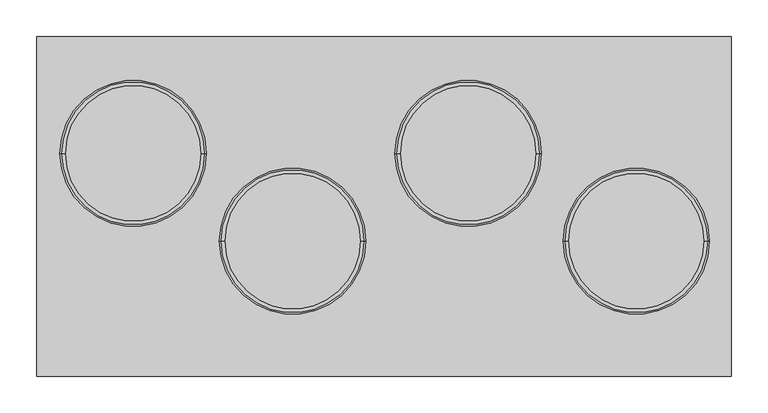
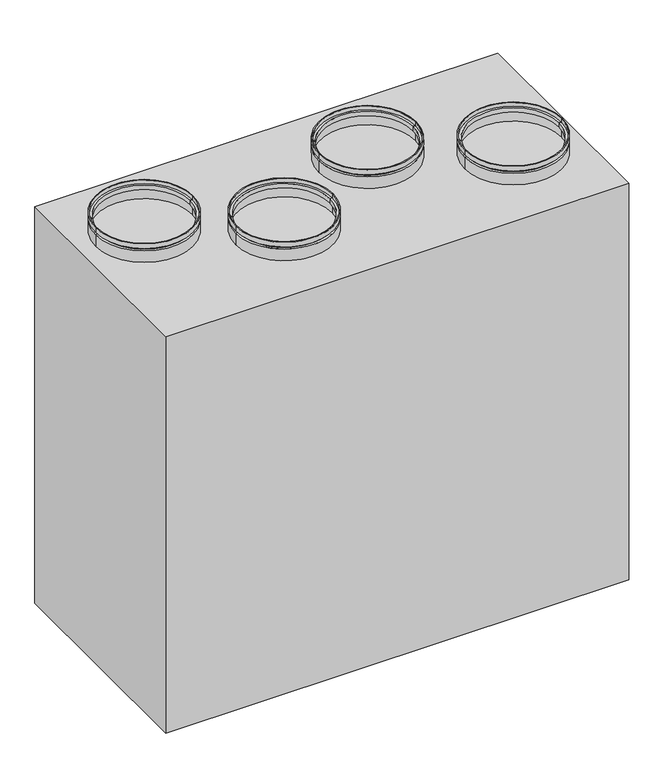
"""IFC4 building model written with IfcOpenShell, lengths in millimetres: proxy geometry."""

from ifc_helpers import new_model, si_unit, frame, origin, origin_with_axes, place, context, project, spatial, polyline, circle_curve, outline, extrude, source, transform, mapped, element, save
from ifc_brep_helpers import plane_surface, cylinder_surface, revolved_surface, advanced_brep


def mechanical_equipment_569cf462(model_context):
    return source(origin(), model_context, "Body", "SolidModel", [
        advanced_brep(
        [(445.0, -47.5, 890.0), (245.0, -47.5, 890.0), (245.0, -47.5, 900.0), (445.0, -47.5, 900.0), (440.0, -47.5, 890.0), (250.0, -47.5, 890.0), (440.0, -47.5, 885.0), (250.0, -47.5, 885.0), (445.0, -47.5, 885.0), (245.0, -47.5, 885.0), (445.0, -47.5, 860.0), (245.0, -47.5, 860.0), (443.0, -47.5, 860.0), (247.0, -47.5, 860.0), (443.0, -47.5, 883.0), (247.0, -47.5, 883.0), (438.0, -47.5, 883.0), (252.0, -47.5, 883.0), (438.0, -47.5, 892.0), (252.0, -47.5, 892.0), (443.0, -47.5, 892.0), (247.0, -47.5, 892.0), (443.0, -47.5, 900.0), (247.0, -47.5, 900.0)],
        [
            (0, 1, circle_curve(frame((345.0, -47.5, 890.0), z_axis=(0.0, 0.0, 1.0), x_axis=(-1.0, 0.0, 0.0)), 100.0)),
            (1, 2),
            (2, 3, circle_curve(frame((345.0, -47.5, 900.0), z_axis=(0.0, 0.0, -1.0), x_axis=(-1.0, 0.0, 0.0)), 100.0)),
            (3, 0),
            (1, 0, circle_curve(frame((345.0, -47.5, 890.0), z_axis=(0.0, 0.0, 1.0), x_axis=(-1.0, 0.0, 0.0)), 100.0)),
            (3, 2, circle_curve(frame((345.0, -47.5, 900.0), z_axis=(0.0, 0.0, -1.0), x_axis=(-1.0, 0.0, 0.0)), 100.0)),
            (4, 5, circle_curve(frame((345.0, -47.5, 890.0), z_axis=(0.0, 0.0, 1.0), x_axis=(-1.0, 0.0, 0.0)), 95.0)),
            (5, 1),
            (0, 4),
            (5, 4, circle_curve(frame((345.0, -47.5, 890.0), z_axis=(0.0, 0.0, 1.0), x_axis=(-1.0, 0.0, 0.0)), 95.0)),
            (6, 7, circle_curve(frame((345.0, -47.5, 885.0), z_axis=(0.0, 0.0, 1.0), x_axis=(-1.0, 0.0, 0.0)), 95.0)),
            (7, 5),
            (4, 6),
            (7, 6, circle_curve(frame((345.0, -47.5, 885.0), z_axis=(0.0, 0.0, 1.0), x_axis=(-1.0, 0.0, 0.0)), 95.0)),
            (8, 9, circle_curve(frame((345.0, -47.5, 885.0), z_axis=(0.0, 0.0, 1.0), x_axis=(-1.0, 0.0, 0.0)), 100.0)),
            (9, 7),
            (6, 8),
            (9, 8, circle_curve(frame((345.0, -47.5, 885.0), z_axis=(0.0, 0.0, 1.0), x_axis=(-1.0, 0.0, 0.0)), 100.0)),
            (10, 11, circle_curve(frame((345.0, -47.5, 860.0), z_axis=(0.0, 0.0, 1.0), x_axis=(-1.0, 0.0, 0.0)), 100.0)),
            (11, 9),
            (8, 10),
            (11, 10, circle_curve(frame((345.0, -47.5, 860.0), z_axis=(0.0, 0.0, 1.0), x_axis=(-1.0, 0.0, 0.0)), 100.0)),
            (12, 13, circle_curve(frame((345.0, -47.5, 860.0), z_axis=(0.0, 0.0, 1.0), x_axis=(-1.0, 0.0, 0.0)), 98.0)),
            (13, 11),
            (10, 12),
            (13, 12, circle_curve(frame((345.0, -47.5, 860.0), z_axis=(0.0, 0.0, 1.0), x_axis=(-1.0, 0.0, 0.0)), 98.0)),
            (14, 15, circle_curve(frame((345.0, -47.5, 883.0), z_axis=(0.0, 0.0, 1.0), x_axis=(-1.0, 0.0, 0.0)), 98.0)),
            (15, 13),
            (12, 14),
            (15, 14, circle_curve(frame((345.0, -47.5, 883.0), z_axis=(0.0, 0.0, 1.0), x_axis=(-1.0, 0.0, 0.0)), 98.0)),
            (16, 17, circle_curve(frame((345.0, -47.5, 883.0), z_axis=(0.0, 0.0, 1.0), x_axis=(-1.0, 0.0, 0.0)), 93.0)),
            (17, 15),
            (14, 16),
            (17, 16, circle_curve(frame((345.0, -47.5, 883.0), z_axis=(0.0, 0.0, 1.0), x_axis=(-1.0, 0.0, 0.0)), 93.0)),
            (18, 19, circle_curve(frame((345.0, -47.5, 892.0), z_axis=(0.0, 0.0, 1.0), x_axis=(-1.0, 0.0, 0.0)), 93.0)),
            (19, 17),
            (16, 18),
            (19, 18, circle_curve(frame((345.0, -47.5, 892.0), z_axis=(0.0, 0.0, 1.0), x_axis=(-1.0, 0.0, 0.0)), 93.0)),
            (20, 21, circle_curve(frame((345.0, -47.5, 892.0), z_axis=(0.0, 0.0, 1.0), x_axis=(-1.0, 0.0, 0.0)), 98.0)),
            (21, 19),
            (18, 20),
            (21, 20, circle_curve(frame((345.0, -47.5, 892.0), z_axis=(0.0, 0.0, 1.0), x_axis=(-1.0, 0.0, 0.0)), 98.0)),
            (22, 23, circle_curve(frame((345.0, -47.5, 900.0), z_axis=(0.0, 0.0, 1.0), x_axis=(-1.0, 0.0, 0.0)), 98.0)),
            (23, 21),
            (20, 22),
            (23, 22, circle_curve(frame((345.0, -47.5, 900.0), z_axis=(0.0, 0.0, 1.0), x_axis=(-1.0, 0.0, 0.0)), 98.0)),
            (2, 23),
            (22, 3),
        ],
        [
            cylinder_surface(frame((345.0, -47.5, 2435.0440172), z_axis=(0.0, 0.0, -1.0), x_axis=(-1.0, 0.0, 0.0)), 100.0),
            plane_surface(frame((345.0, -47.5, 890.0), z_axis=(0.0, 0.0, -1.0), x_axis=(-1.0, 0.0, 0.0))),
            cylinder_surface(frame((345.0, -47.5, 2435.0440172), z_axis=(0.0, 0.0, -1.0), x_axis=(-1.0, 0.0, 0.0)), 95.0),
            plane_surface(frame((345.0, -47.5, 885.0), z_axis=(0.0, 0.0, 1.0), x_axis=(-1.0, 0.0, 0.0))),
            plane_surface(frame((345.0, -47.5, 860.0), z_axis=(0.0, 0.0, -1.0), x_axis=(-1.0, 0.0, 0.0))),
            revolved_surface(polyline([(247.0, -47.5, 860.0), (247.0, -47.5, 883.0)]), (345.0, -47.5, 2435.0440172), (0.0, 0.0, -1.0)),
            plane_surface(frame((345.0, -47.5, 883.0), z_axis=(0.0, 0.0, -1.0), x_axis=(-1.0, 0.0, 0.0))),
            revolved_surface(polyline([(252.0, -47.5, 883.0), (252.0, -47.5, 892.0)]), (345.0, -47.5, 2435.0440172), (0.0, 0.0, -1.0)),
            plane_surface(frame((345.0, -47.5, 892.0), z_axis=(0.0, 0.0, 1.0), x_axis=(-1.0, 0.0, 0.0))),
            revolved_surface(polyline([(247.0, -47.5, 892.0), (247.0, -47.5, 900.0)]), (345.0, -47.5, 2435.0440172), (0.0, 0.0, -1.0)),
            plane_surface(frame((345.0, -47.5, 900.0), z_axis=(0.0, 0.0, 1.0), x_axis=(-1.0, 0.0, 0.0))),
        ],
        [
            (0, [[1, 2, 3, 4]]),
            (0, [[5, -4, 6, -2]]),
            (1, [[7, 8, -1, 9]]),
            (1, [[10, -9, -5, -8]]),
            (2, [[11, 12, -7, 13]]),
            (2, [[14, -13, -10, -12]]),
            (3, [[15, 16, -11, 17]]),
            (3, [[18, -17, -14, -16]]),
            (0, [[19, 20, -15, 21]]),
            (0, [[22, -21, -18, -20]]),
            (4, [[23, 24, -19, 25]]),
            (4, [[26, -25, -22, -24]]),
            (5, [[27, 28, -23, 29]]),
            (5, [[30, -29, -26, -28]]),
            (6, [[31, 32, -27, 33]]),
            (6, [[34, -33, -30, -32]]),
            (7, [[35, 36, -31, 37]]),
            (7, [[38, -37, -34, -36]]),
            (8, [[39, 40, -35, 41]]),
            (8, [[42, -41, -38, -40]]),
            (9, [[43, 44, -39, 45]]),
            (9, [[46, -45, -42, -44]]),
            (10, [[-3, 47, -43, 48]]),
            (10, [[-6, -48, -46, -47]]),
        ],
    ),
        advanced_brep(
        [(215.0, 72.5, 890.0), (15.0, 72.5, 890.0), (15.0, 72.5, 900.0), (215.0, 72.5, 900.0), (210.0, 72.5, 890.0), (20.0, 72.5, 890.0), (210.0, 72.5, 885.0), (20.0, 72.5, 885.0), (215.0, 72.5, 885.0), (15.0, 72.5, 885.0), (215.0, 72.5, 860.0), (15.0, 72.5, 860.0), (213.0, 72.5, 860.0), (17.0, 72.5, 860.0), (213.0, 72.5, 883.0), (17.0, 72.5, 883.0), (208.0, 72.5, 883.0), (22.0, 72.5, 883.0), (208.0, 72.5, 892.0), (22.0, 72.5, 892.0), (213.0, 72.5, 892.0), (17.0, 72.5, 892.0), (213.0, 72.5, 900.0), (17.0, 72.5, 900.0)],
        [
            (0, 1, circle_curve(frame((115.0, 72.5, 890.0), z_axis=(0.0, 0.0, 1.0), x_axis=(-1.0, 0.0, 0.0)), 100.0)),
            (1, 2),
            (2, 3, circle_curve(frame((115.0, 72.5, 900.0), z_axis=(0.0, 0.0, -1.0), x_axis=(-1.0, 0.0, 0.0)), 100.0)),
            (3, 0),
            (1, 0, circle_curve(frame((115.0, 72.5, 890.0), z_axis=(0.0, 0.0, 1.0), x_axis=(-1.0, 0.0, 0.0)), 100.0)),
            (3, 2, circle_curve(frame((115.0, 72.5, 900.0), z_axis=(0.0, 0.0, -1.0), x_axis=(-1.0, 0.0, 0.0)), 100.0)),
            (4, 5, circle_curve(frame((115.0, 72.5, 890.0), z_axis=(0.0, 0.0, 1.0), x_axis=(-1.0, 0.0, 0.0)), 95.0)),
            (5, 1),
            (0, 4),
            (5, 4, circle_curve(frame((115.0, 72.5, 890.0), z_axis=(0.0, 0.0, 1.0), x_axis=(-1.0, 0.0, 0.0)), 95.0)),
            (6, 7, circle_curve(frame((115.0, 72.5, 885.0), z_axis=(0.0, 0.0, 1.0), x_axis=(-1.0, 0.0, 0.0)), 95.0)),
            (7, 5),
            (4, 6),
            (7, 6, circle_curve(frame((115.0, 72.5, 885.0), z_axis=(0.0, 0.0, 1.0), x_axis=(-1.0, 0.0, 0.0)), 95.0)),
            (8, 9, circle_curve(frame((115.0, 72.5, 885.0), z_axis=(0.0, 0.0, 1.0), x_axis=(-1.0, 0.0, 0.0)), 100.0)),
            (9, 7),
            (6, 8),
            (9, 8, circle_curve(frame((115.0, 72.5, 885.0), z_axis=(0.0, 0.0, 1.0), x_axis=(-1.0, 0.0, 0.0)), 100.0)),
            (10, 11, circle_curve(frame((115.0, 72.5, 860.0), z_axis=(0.0, 0.0, 1.0), x_axis=(-1.0, 0.0, 0.0)), 100.0)),
            (11, 9),
            (8, 10),
            (11, 10, circle_curve(frame((115.0, 72.5, 860.0), z_axis=(0.0, 0.0, 1.0), x_axis=(-1.0, 0.0, 0.0)), 100.0)),
            (12, 13, circle_curve(frame((115.0, 72.5, 860.0), z_axis=(0.0, 0.0, 1.0), x_axis=(-1.0, 0.0, 0.0)), 98.0)),
            (13, 11),
            (10, 12),
            (13, 12, circle_curve(frame((115.0, 72.5, 860.0), z_axis=(0.0, 0.0, 1.0), x_axis=(-1.0, 0.0, 0.0)), 98.0)),
            (14, 15, circle_curve(frame((115.0, 72.5, 883.0), z_axis=(0.0, 0.0, 1.0), x_axis=(-1.0, 0.0, 0.0)), 98.0)),
            (15, 13),
            (12, 14),
            (15, 14, circle_curve(frame((115.0, 72.5, 883.0), z_axis=(0.0, 0.0, 1.0), x_axis=(-1.0, 0.0, 0.0)), 98.0)),
            (16, 17, circle_curve(frame((115.0, 72.5, 883.0), z_axis=(0.0, 0.0, 1.0), x_axis=(-1.0, 0.0, 0.0)), 93.0)),
            (17, 15),
            (14, 16),
            (17, 16, circle_curve(frame((115.0, 72.5, 883.0), z_axis=(0.0, 0.0, 1.0), x_axis=(-1.0, 0.0, 0.0)), 93.0)),
            (18, 19, circle_curve(frame((115.0, 72.5, 892.0), z_axis=(0.0, 0.0, 1.0), x_axis=(-1.0, 0.0, 0.0)), 93.0)),
            (19, 17),
            (16, 18),
            (19, 18, circle_curve(frame((115.0, 72.5, 892.0), z_axis=(0.0, 0.0, 1.0), x_axis=(-1.0, 0.0, 0.0)), 93.0)),
            (20, 21, circle_curve(frame((115.0, 72.5, 892.0), z_axis=(0.0, 0.0, 1.0), x_axis=(-1.0, 0.0, 0.0)), 98.0)),
            (21, 19),
            (18, 20),
            (21, 20, circle_curve(frame((115.0, 72.5, 892.0), z_axis=(0.0, 0.0, 1.0), x_axis=(-1.0, 0.0, 0.0)), 98.0)),
            (22, 23, circle_curve(frame((115.0, 72.5, 900.0), z_axis=(0.0, 0.0, 1.0), x_axis=(-1.0, 0.0, 0.0)), 98.0)),
            (23, 21),
            (20, 22),
            (23, 22, circle_curve(frame((115.0, 72.5, 900.0), z_axis=(0.0, 0.0, 1.0), x_axis=(-1.0, 0.0, 0.0)), 98.0)),
            (2, 23),
            (22, 3),
        ],
        [
            cylinder_surface(frame((115.0, 72.5, 2435.0440172), z_axis=(0.0, 0.0, -1.0), x_axis=(-1.0, 0.0, 0.0)), 100.0),
            plane_surface(frame((115.0, 72.5, 890.0), z_axis=(0.0, 0.0, -1.0), x_axis=(-1.0, 0.0, 0.0))),
            cylinder_surface(frame((115.0, 72.5, 2435.0440172), z_axis=(0.0, 0.0, -1.0), x_axis=(-1.0, 0.0, 0.0)), 95.0),
            plane_surface(frame((115.0, 72.5, 885.0), z_axis=(0.0, 0.0, 1.0), x_axis=(-1.0, 0.0, 0.0))),
            plane_surface(frame((115.0, 72.5, 860.0), z_axis=(0.0, 0.0, -1.0), x_axis=(-1.0, 0.0, 0.0))),
            revolved_surface(polyline([(17.0, 72.5, 860.0), (17.0, 72.5, 883.0)]), (115.0, 72.5, 2435.0440172), (0.0, 0.0, -1.0)),
            plane_surface(frame((115.0, 72.5, 883.0), z_axis=(0.0, 0.0, -1.0), x_axis=(-1.0, 0.0, 0.0))),
            revolved_surface(polyline([(22.0, 72.5, 883.0), (22.0, 72.5, 892.0)]), (115.0, 72.5, 2435.0440172), (0.0, 0.0, -1.0)),
            plane_surface(frame((115.0, 72.5, 892.0), z_axis=(0.0, 0.0, 1.0), x_axis=(-1.0, 0.0, 0.0))),
            revolved_surface(polyline([(17.0, 72.5, 892.0), (17.0, 72.5, 900.0)]), (115.0, 72.5, 2435.0440172), (0.0, 0.0, -1.0)),
            plane_surface(frame((115.0, 72.5, 900.0), z_axis=(0.0, 0.0, 1.0), x_axis=(-1.0, 0.0, 0.0))),
        ],
        [
            (0, [[1, 2, 3, 4]]),
            (0, [[5, -4, 6, -2]]),
            (1, [[7, 8, -1, 9]]),
            (1, [[10, -9, -5, -8]]),
            (2, [[11, 12, -7, 13]]),
            (2, [[14, -13, -10, -12]]),
            (3, [[15, 16, -11, 17]]),
            (3, [[18, -17, -14, -16]]),
            (0, [[19, 20, -15, 21]]),
            (0, [[22, -21, -18, -20]]),
            (4, [[23, 24, -19, 25]]),
            (4, [[26, -25, -22, -24]]),
            (5, [[27, 28, -23, 29]]),
            (5, [[30, -29, -26, -28]]),
            (6, [[31, 32, -27, 33]]),
            (6, [[34, -33, -30, -32]]),
            (7, [[35, 36, -31, 37]]),
            (7, [[38, -37, -34, -36]]),
            (8, [[39, 40, -35, 41]]),
            (8, [[42, -41, -38, -40]]),
            (9, [[43, 44, -39, 45]]),
            (9, [[46, -45, -42, -44]]),
            (10, [[-3, 47, -43, 48]]),
            (10, [[-6, -48, -46, -47]]),
        ],
    ),
        advanced_brep(
        [(-25.0, -47.5, 890.0), (-225.0, -47.5, 890.0), (-225.0, -47.5, 900.0), (-25.0, -47.5, 900.0), (-30.0, -47.5, 890.0), (-220.0, -47.5, 890.0), (-30.0, -47.5, 885.0), (-220.0, -47.5, 885.0), (-25.0, -47.5, 885.0), (-225.0, -47.5, 885.0), (-25.0, -47.5, 860.0), (-225.0, -47.5, 860.0), (-27.0, -47.5, 860.0), (-223.0, -47.5, 860.0), (-27.0, -47.5, 883.0), (-223.0, -47.5, 883.0), (-32.0, -47.5, 883.0), (-218.0, -47.5, 883.0), (-32.0, -47.5, 892.0), (-218.0, -47.5, 892.0), (-27.0, -47.5, 892.0), (-223.0, -47.5, 892.0), (-27.0, -47.5, 900.0), (-223.0, -47.5, 900.0)],
        [
            (0, 1, circle_curve(frame((-125.0, -47.5, 890.0), z_axis=(0.0, 0.0, 1.0), x_axis=(-1.0, 0.0, 0.0)), 100.0)),
            (1, 2),
            (2, 3, circle_curve(frame((-125.0, -47.5, 900.0), z_axis=(0.0, 0.0, -1.0), x_axis=(-1.0, 0.0, 0.0)), 100.0)),
            (3, 0),
            (1, 0, circle_curve(frame((-125.0, -47.5, 890.0), z_axis=(0.0, 0.0, 1.0), x_axis=(-1.0, 0.0, 0.0)), 100.0)),
            (3, 2, circle_curve(frame((-125.0, -47.5, 900.0), z_axis=(0.0, 0.0, -1.0), x_axis=(-1.0, 0.0, 0.0)), 100.0)),
            (4, 5, circle_curve(frame((-125.0, -47.5, 890.0), z_axis=(0.0, 0.0, 1.0), x_axis=(-1.0, 0.0, 0.0)), 95.0)),
            (5, 1),
            (0, 4),
            (5, 4, circle_curve(frame((-125.0, -47.5, 890.0), z_axis=(0.0, 0.0, 1.0), x_axis=(-1.0, 0.0, 0.0)), 95.0)),
            (6, 7, circle_curve(frame((-125.0, -47.5, 885.0), z_axis=(0.0, 0.0, 1.0), x_axis=(-1.0, 0.0, 0.0)), 95.0)),
            (7, 5),
            (4, 6),
            (7, 6, circle_curve(frame((-125.0, -47.5, 885.0), z_axis=(0.0, 0.0, 1.0), x_axis=(-1.0, 0.0, 0.0)), 95.0)),
            (8, 9, circle_curve(frame((-125.0, -47.5, 885.0), z_axis=(0.0, 0.0, 1.0), x_axis=(-1.0, 0.0, 0.0)), 100.0)),
            (9, 7),
            (6, 8),
            (9, 8, circle_curve(frame((-125.0, -47.5, 885.0), z_axis=(0.0, 0.0, 1.0), x_axis=(-1.0, 0.0, 0.0)), 100.0)),
            (10, 11, circle_curve(frame((-125.0, -47.5, 860.0), z_axis=(0.0, 0.0, 1.0), x_axis=(-1.0, 0.0, 0.0)), 100.0)),
            (11, 9),
            (8, 10),
            (11, 10, circle_curve(frame((-125.0, -47.5, 860.0), z_axis=(0.0, 0.0, 1.0), x_axis=(-1.0, 0.0, 0.0)), 100.0)),
            (12, 13, circle_curve(frame((-125.0, -47.5, 860.0), z_axis=(0.0, 0.0, 1.0), x_axis=(-1.0, 0.0, 0.0)), 98.0)),
            (13, 11),
            (10, 12),
            (13, 12, circle_curve(frame((-125.0, -47.5, 860.0), z_axis=(0.0, 0.0, 1.0), x_axis=(-1.0, 0.0, 0.0)), 98.0)),
            (14, 15, circle_curve(frame((-125.0, -47.5, 883.0), z_axis=(0.0, 0.0, 1.0), x_axis=(-1.0, 0.0, 0.0)), 98.0)),
            (15, 13),
            (12, 14),
            (15, 14, circle_curve(frame((-125.0, -47.5, 883.0), z_axis=(0.0, 0.0, 1.0), x_axis=(-1.0, 0.0, 0.0)), 98.0)),
            (16, 17, circle_curve(frame((-125.0, -47.5, 883.0), z_axis=(0.0, 0.0, 1.0), x_axis=(-1.0, 0.0, 0.0)), 93.0)),
            (17, 15),
            (14, 16),
            (17, 16, circle_curve(frame((-125.0, -47.5, 883.0), z_axis=(0.0, 0.0, 1.0), x_axis=(-1.0, 0.0, 0.0)), 93.0)),
            (18, 19, circle_curve(frame((-125.0, -47.5, 892.0), z_axis=(0.0, 0.0, 1.0), x_axis=(-1.0, 0.0, 0.0)), 93.0)),
            (19, 17),
            (16, 18),
            (19, 18, circle_curve(frame((-125.0, -47.5, 892.0), z_axis=(0.0, 0.0, 1.0), x_axis=(-1.0, 0.0, 0.0)), 93.0)),
            (20, 21, circle_curve(frame((-125.0, -47.5, 892.0), z_axis=(0.0, 0.0, 1.0), x_axis=(-1.0, 0.0, 0.0)), 98.0)),
            (21, 19),
            (18, 20),
            (21, 20, circle_curve(frame((-125.0, -47.5, 892.0), z_axis=(0.0, 0.0, 1.0), x_axis=(-1.0, 0.0, 0.0)), 98.0)),
            (22, 23, circle_curve(frame((-125.0, -47.5, 900.0), z_axis=(0.0, 0.0, 1.0), x_axis=(-1.0, 0.0, 0.0)), 98.0)),
            (23, 21),
            (20, 22),
            (23, 22, circle_curve(frame((-125.0, -47.5, 900.0), z_axis=(0.0, 0.0, 1.0), x_axis=(-1.0, 0.0, 0.0)), 98.0)),
            (2, 23),
            (22, 3),
        ],
        [
            cylinder_surface(frame((-125.0, -47.5, 2435.0440172), z_axis=(0.0, 0.0, -1.0), x_axis=(-1.0, 0.0, 0.0)), 100.0),
            plane_surface(frame((-125.0, -47.5, 890.0), z_axis=(0.0, 0.0, -1.0), x_axis=(-1.0, 0.0, 0.0))),
            cylinder_surface(frame((-125.0, -47.5, 2435.0440172), z_axis=(0.0, 0.0, -1.0), x_axis=(-1.0, 0.0, 0.0)), 95.0),
            plane_surface(frame((-125.0, -47.5, 885.0), z_axis=(0.0, 0.0, 1.0), x_axis=(-1.0, 0.0, 0.0))),
            plane_surface(frame((-125.0, -47.5, 860.0), z_axis=(0.0, 0.0, -1.0), x_axis=(-1.0, 0.0, 0.0))),
            revolved_surface(polyline([(-223.0, -47.5, 860.0), (-223.0, -47.5, 883.0)]), (-125.0, -47.5, 2435.0440172), (0.0, 0.0, -1.0)),
            plane_surface(frame((-125.0, -47.5, 883.0), z_axis=(0.0, 0.0, -1.0), x_axis=(-1.0, 0.0, 0.0))),
            revolved_surface(polyline([(-218.0, -47.5, 883.0), (-218.0, -47.5, 892.0)]), (-125.0, -47.5, 2435.0440172), (0.0, 0.0, -1.0)),
            plane_surface(frame((-125.0, -47.5, 892.0), z_axis=(0.0, 0.0, 1.0), x_axis=(-1.0, 0.0, 0.0))),
            revolved_surface(polyline([(-223.0, -47.5, 892.0), (-223.0, -47.5, 900.0)]), (-125.0, -47.5, 2435.0440172), (0.0, 0.0, -1.0)),
            plane_surface(frame((-125.0, -47.5, 900.0), z_axis=(0.0, 0.0, 1.0), x_axis=(-1.0, 0.0, 0.0))),
        ],
        [
            (0, [[1, 2, 3, 4]]),
            (0, [[5, -4, 6, -2]]),
            (1, [[7, 8, -1, 9]]),
            (1, [[10, -9, -5, -8]]),
            (2, [[11, 12, -7, 13]]),
            (2, [[14, -13, -10, -12]]),
            (3, [[15, 16, -11, 17]]),
            (3, [[18, -17, -14, -16]]),
            (0, [[19, 20, -15, 21]]),
            (0, [[22, -21, -18, -20]]),
            (4, [[23, 24, -19, 25]]),
            (4, [[26, -25, -22, -24]]),
            (5, [[27, 28, -23, 29]]),
            (5, [[30, -29, -26, -28]]),
            (6, [[31, 32, -27, 33]]),
            (6, [[34, -33, -30, -32]]),
            (7, [[35, 36, -31, 37]]),
            (7, [[38, -37, -34, -36]]),
            (8, [[39, 40, -35, 41]]),
            (8, [[42, -41, -38, -40]]),
            (9, [[43, 44, -39, 45]]),
            (9, [[46, -45, -42, -44]]),
            (10, [[-3, 47, -43, 48]]),
            (10, [[-6, -48, -46, -47]]),
        ],
    ),
        advanced_brep(
        [(-243.0, 72.5, 890.0), (-443.0, 72.5, 890.0), (-443.0, 72.5, 900.0), (-243.0, 72.5, 900.0), (-248.0, 72.5, 890.0), (-438.0, 72.5, 890.0), (-248.0, 72.5, 885.0), (-438.0, 72.5, 885.0), (-243.0, 72.5, 885.0), (-443.0, 72.5, 885.0), (-243.0, 72.5, 860.0), (-443.0, 72.5, 860.0), (-245.0, 72.5, 860.0), (-441.0, 72.5, 860.0), (-245.0, 72.5, 883.0), (-441.0, 72.5, 883.0), (-250.0, 72.5, 883.0), (-436.0, 72.5, 883.0), (-250.0, 72.5, 892.0), (-436.0, 72.5, 892.0), (-245.0, 72.5, 892.0), (-441.0, 72.5, 892.0), (-245.0, 72.5, 900.0), (-441.0, 72.5, 900.0)],
        [
            (0, 1, circle_curve(frame((-343.0, 72.5, 890.0), z_axis=(0.0, 0.0, 1.0), x_axis=(-1.0, 0.0, 0.0)), 100.0)),
            (1, 2),
            (2, 3, circle_curve(frame((-343.0, 72.5, 900.0), z_axis=(0.0, 0.0, -1.0), x_axis=(-1.0, 0.0, 0.0)), 100.0)),
            (3, 0),
            (1, 0, circle_curve(frame((-343.0, 72.5, 890.0), z_axis=(0.0, 0.0, 1.0), x_axis=(-1.0, 0.0, 0.0)), 100.0)),
            (3, 2, circle_curve(frame((-343.0, 72.5, 900.0), z_axis=(0.0, 0.0, -1.0), x_axis=(-1.0, 0.0, 0.0)), 100.0)),
            (4, 5, circle_curve(frame((-343.0, 72.5, 890.0), z_axis=(0.0, 0.0, 1.0), x_axis=(-1.0, 0.0, 0.0)), 95.0)),
            (5, 1),
            (0, 4),
            (5, 4, circle_curve(frame((-343.0, 72.5, 890.0), z_axis=(0.0, 0.0, 1.0), x_axis=(-1.0, 0.0, 0.0)), 95.0)),
            (6, 7, circle_curve(frame((-343.0, 72.5, 885.0), z_axis=(0.0, 0.0, 1.0), x_axis=(-1.0, 0.0, 0.0)), 95.0)),
            (7, 5),
            (4, 6),
            (7, 6, circle_curve(frame((-343.0, 72.5, 885.0), z_axis=(0.0, 0.0, 1.0), x_axis=(-1.0, 0.0, 0.0)), 95.0)),
            (8, 9, circle_curve(frame((-343.0, 72.5, 885.0), z_axis=(0.0, 0.0, 1.0), x_axis=(-1.0, 0.0, 0.0)), 100.0)),
            (9, 7),
            (6, 8),
            (9, 8, circle_curve(frame((-343.0, 72.5, 885.0), z_axis=(0.0, 0.0, 1.0), x_axis=(-1.0, 0.0, 0.0)), 100.0)),
            (10, 11, circle_curve(frame((-343.0, 72.5, 860.0), z_axis=(0.0, 0.0, 1.0), x_axis=(-1.0, 0.0, 0.0)), 100.0)),
            (11, 9),
            (8, 10),
            (11, 10, circle_curve(frame((-343.0, 72.5, 860.0), z_axis=(0.0, 0.0, 1.0), x_axis=(-1.0, 0.0, 0.0)), 100.0)),
            (12, 13, circle_curve(frame((-343.0, 72.5, 860.0), z_axis=(0.0, 0.0, 1.0), x_axis=(-1.0, 0.0, 0.0)), 98.0)),
            (13, 11),
            (10, 12),
            (13, 12, circle_curve(frame((-343.0, 72.5, 860.0), z_axis=(0.0, 0.0, 1.0), x_axis=(-1.0, 0.0, 0.0)), 98.0)),
            (14, 15, circle_curve(frame((-343.0, 72.5, 883.0), z_axis=(0.0, 0.0, 1.0), x_axis=(-1.0, 0.0, 0.0)), 98.0)),
            (15, 13),
            (12, 14),
            (15, 14, circle_curve(frame((-343.0, 72.5, 883.0), z_axis=(0.0, 0.0, 1.0), x_axis=(-1.0, 0.0, 0.0)), 98.0)),
            (16, 17, circle_curve(frame((-343.0, 72.5, 883.0), z_axis=(0.0, 0.0, 1.0), x_axis=(-1.0, 0.0, 0.0)), 93.0)),
            (17, 15),
            (14, 16),
            (17, 16, circle_curve(frame((-343.0, 72.5, 883.0), z_axis=(0.0, 0.0, 1.0), x_axis=(-1.0, 0.0, 0.0)), 93.0)),
            (18, 19, circle_curve(frame((-343.0, 72.5, 892.0), z_axis=(0.0, 0.0, 1.0), x_axis=(-1.0, 0.0, 0.0)), 93.0)),
            (19, 17),
            (16, 18),
            (19, 18, circle_curve(frame((-343.0, 72.5, 892.0), z_axis=(0.0, 0.0, 1.0), x_axis=(-1.0, 0.0, 0.0)), 93.0)),
            (20, 21, circle_curve(frame((-343.0, 72.5, 892.0), z_axis=(0.0, 0.0, 1.0), x_axis=(-1.0, 0.0, 0.0)), 98.0)),
            (21, 19),
            (18, 20),
            (21, 20, circle_curve(frame((-343.0, 72.5, 892.0), z_axis=(0.0, 0.0, 1.0), x_axis=(-1.0, 0.0, 0.0)), 98.0)),
            (22, 23, circle_curve(frame((-343.0, 72.5, 900.0), z_axis=(0.0, 0.0, 1.0), x_axis=(-1.0, 0.0, 0.0)), 98.0)),
            (23, 21),
            (20, 22),
            (23, 22, circle_curve(frame((-343.0, 72.5, 900.0), z_axis=(0.0, 0.0, 1.0), x_axis=(-1.0, 0.0, 0.0)), 98.0)),
            (2, 23),
            (22, 3),
        ],
        [
            cylinder_surface(frame((-343.0, 72.5, 2435.0440172), z_axis=(0.0, 0.0, -1.0), x_axis=(-1.0, 0.0, 0.0)), 100.0),
            plane_surface(frame((-343.0, 72.5, 890.0), z_axis=(0.0, 0.0, -1.0), x_axis=(-1.0, 0.0, 0.0))),
            cylinder_surface(frame((-343.0, 72.5, 2435.0440172), z_axis=(0.0, 0.0, -1.0), x_axis=(-1.0, 0.0, 0.0)), 95.0),
            plane_surface(frame((-343.0, 72.5, 885.0), z_axis=(0.0, 0.0, 1.0), x_axis=(-1.0, 0.0, 0.0))),
            plane_surface(frame((-343.0, 72.5, 860.0), z_axis=(0.0, 0.0, -1.0), x_axis=(-1.0, 0.0, 0.0))),
            revolved_surface(polyline([(-441.0, 72.5, 860.0), (-441.0, 72.5, 883.0)]), (-343.0, 72.5, 2435.0440172), (0.0, 0.0, -1.0)),
            plane_surface(frame((-343.0, 72.5, 883.0), z_axis=(0.0, 0.0, -1.0), x_axis=(-1.0, 0.0, 0.0))),
            revolved_surface(polyline([(-436.0, 72.5, 883.0), (-436.0, 72.5, 892.0)]), (-343.0, 72.5, 2435.0440172), (0.0, 0.0, -1.0)),
            plane_surface(frame((-343.0, 72.5, 892.0), z_axis=(0.0, 0.0, 1.0), x_axis=(-1.0, 0.0, 0.0))),
            revolved_surface(polyline([(-441.0, 72.5, 892.0), (-441.0, 72.5, 900.0)]), (-343.0, 72.5, 2435.0440172), (0.0, 0.0, -1.0)),
            plane_surface(frame((-343.0, 72.5, 900.0), z_axis=(0.0, 0.0, 1.0), x_axis=(-1.0, 0.0, 0.0))),
        ],
        [
            (0, [[1, 2, 3, 4]]),
            (0, [[5, -4, 6, -2]]),
            (1, [[7, 8, -1, 9]]),
            (1, [[10, -9, -5, -8]]),
            (2, [[11, 12, -7, 13]]),
            (2, [[14, -13, -10, -12]]),
            (3, [[15, 16, -11, 17]]),
            (3, [[18, -17, -14, -16]]),
            (0, [[19, 20, -15, 21]]),
            (0, [[22, -21, -18, -20]]),
            (4, [[23, 24, -19, 25]]),
            (4, [[26, -25, -22, -24]]),
            (5, [[27, 28, -23, 29]]),
            (5, [[30, -29, -26, -28]]),
            (6, [[31, 32, -27, 33]]),
            (6, [[34, -33, -30, -32]]),
            (7, [[35, 36, -31, 37]]),
            (7, [[38, -37, -34, -36]]),
            (8, [[39, 40, -35, 41]]),
            (8, [[42, -41, -38, -40]]),
            (9, [[43, 44, -39, 45]]),
            (9, [[46, -45, -42, -44]]),
            (10, [[-3, 47, -43, 48]]),
            (10, [[-6, -48, -46, -47]]),
        ],
    ),
        extrude(outline(polyline([(-475.0, 232.5), (475.0, 232.5), (475.0, -232.5), (-475.0, -232.5), (-475.0, 232.5)])), origin_with_axes(), (0.0, 0.0, 1.0), 860.0),
    ])


if __name__ == "__main__":
    model = new_model("IFC4")
    model_context = context("Model", 3, world=origin())
    ifc_project = project(units=[si_unit("LENGTHUNIT", "METRE", prefix="MILLI")], contexts=[model_context])
    site = spatial("IfcSite", under=ifc_project)
    building = spatial("IfcBuilding", under=site)
    placement = place(None, origin())
    mechanical_equipment_shape = mechanical_equipment_569cf462(model_context)
    element("IfcBuildingElementProxy", 1, Name="Mechanical Equipment", at=placement, inside=building, context=model_context, shape_type="MappedRepresentation", body=[
        mapped(mechanical_equipment_shape, transform((0.0, 0.0, 0.0), x_axis=(1.0, 0.0, 0.0), y_axis=(0.0, 1.0, 0.0), z_axis=(0.0, 0.0, 1.0))),
    ])
    save(model, "model.ifc")
